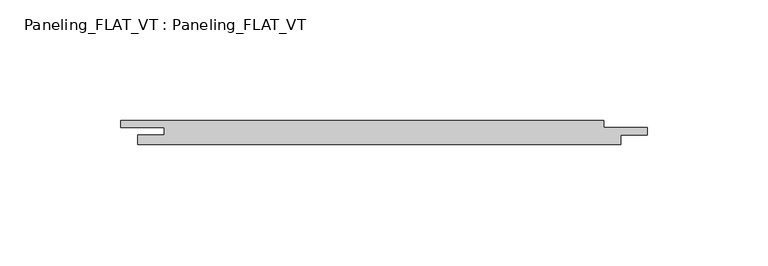
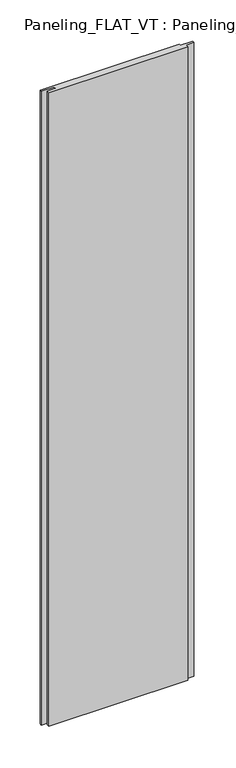
"""IFC4 building model written with IfcOpenShell, lengths in millimetres: plate geometry, Paneling_FLAT_VT : Paneling_FLAT_VT."""

from ifc_helpers import new_model, si_unit, origin, origin_with_axes, place, context, project, spatial, polyline, outline, extrude, source, transform, mapped, element, save


def paneling_flat_vt_paneling_flat_vt_2d1a1c33(model_context):
    return source(origin(), model_context, "Body", "SweptSolid", [
        extrude(outline(polyline([(93.0, 5.0), (93.0, 2.0), (111.0, 2.0), (111.0, -1.0), (100.0, -1.0), (100.0, -5.0), (-100.0, -5.0), (-100.0, -1.0), (-89.0, -1.0), (-89.0, 2.0), (-107.0, 2.0), (-107.0, 5.0), (93.0, 5.0)])), origin_with_axes(), (0.0, 0.0, 1.0), 964.5),
    ])


if __name__ == "__main__":
    model = new_model("IFC4")
    model_context = context("Model", 3, world=origin())
    ifc_project = project(units=[si_unit("LENGTHUNIT", "METRE", prefix="MILLI")], contexts=[model_context])
    site = spatial("IfcSite", under=ifc_project)
    building = spatial("IfcBuilding", under=site)
    placement = place(None, origin())
    paneling_flat_vt_paneling_flat_vt_shape = paneling_flat_vt_paneling_flat_vt_2d1a1c33(model_context)
    element("IfcPlate", 1, ObjectType="Paneling_FLAT_VT : Paneling_FLAT_VT", at=placement, inside=building, context=model_context, shape_type="MappedRepresentation", body=[
        mapped(paneling_flat_vt_paneling_flat_vt_shape, transform((0.0, 0.0, 0.0), x_axis=(1.0, 0.0, 0.0), y_axis=(0.0, 1.0, 0.0), z_axis=(0.0, 0.0, 1.0))),
    ])
    save(model, "model.ifc")
